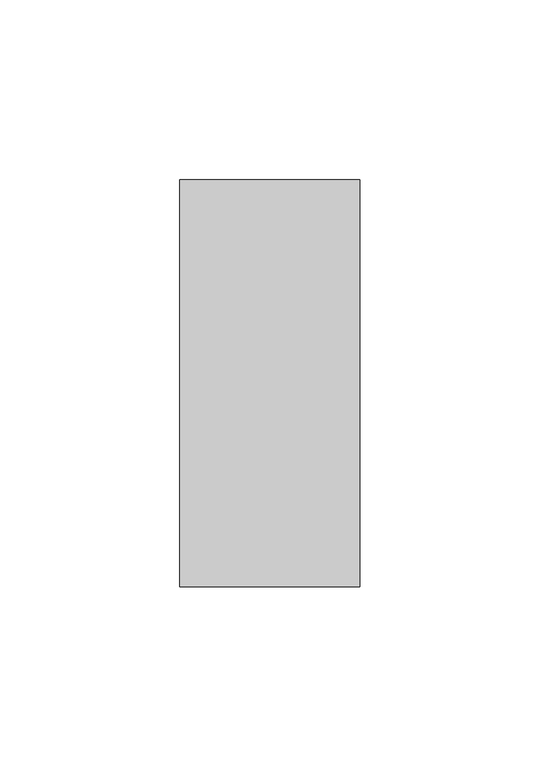
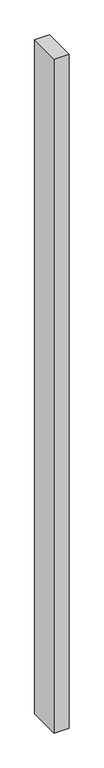
"""IFC4 building model written with IfcOpenShell, lengths in millimetres: member geometry."""

from ifc_helpers import new_model, si_unit, frame, origin, place, context, project, spatial, polyline, outline, extrude, source, transform, mapped, element, save


def member_22638505(model_context):
    return source(origin(), model_context, "Body", "SweptSolid", [
        extrude(outline(polyline([(0.0, -22.0), (-50.0, -22.0), (-50.0, 91.0), (0.0, 91.0), (0.0, -22.0)])), frame((0.0, 0.0, -2400.0), z_axis=(0.0, 0.0, 1.0), x_axis=(1.0, 0.0, 0.0)), (0.0, 0.0, 1.0), 2400.0),
    ])


if __name__ == "__main__":
    model = new_model("IFC4")
    model_context = context("Model", 3, world=origin())
    ifc_project = project(units=[si_unit("LENGTHUNIT", "METRE", prefix="MILLI")], contexts=[model_context])
    site = spatial("IfcSite", under=ifc_project)
    building = spatial("IfcBuilding", under=site)
    placement = place(None, origin())
    member_shape = member_22638505(model_context)
    element("IfcMember", 1, at=placement, inside=building, context=model_context, shape_type="MappedRepresentation", body=[
        mapped(member_shape, transform((0.0, 0.0, 0.0), x_axis=(1.0, 0.0, 0.0), y_axis=(0.0, 1.0, 0.0), z_axis=(0.0, 0.0, 1.0))),
    ])
    save(model, "model.ifc")
